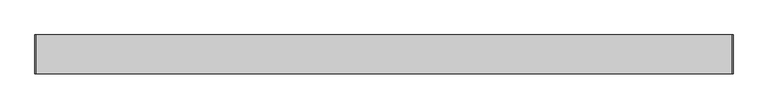
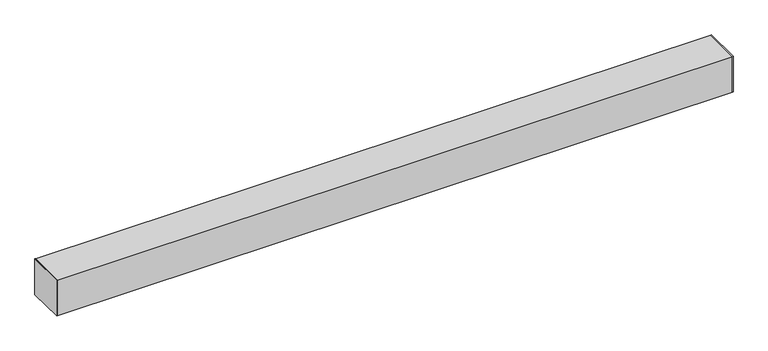
"""IFC4 building model written with IfcOpenShell, lengths in millimetres: proxy geometry."""

from ifc_helpers import new_model, si_unit, frame, origin, origin_with_axes, place, context, project, spatial, polyline, outline, extrude, source, transform, mapped, element, save


def generic_models_3975e6ed(model_context):
    return source(origin(), model_context, "Body", "SweptSolid", [
        extrude(outline(polyline([(0.0, -50.66), (0.0, 50.66), (1.651, 50.66), (1.651, -50.66), (0.0, -50.66)])), origin_with_axes(), (0.0, 0.0, 1.0), 101.6),
        extrude(outline(polyline([(1828.8, -50.66), (1827.149, -50.66), (1827.149, 50.66), (1828.8, 50.66), (1828.8, -50.66)])), origin_with_axes(), (0.0, 0.0, 1.0), 101.6),
        extrude(outline(polyline([(-50.66, 0.0), (-50.66, 101.6), (50.66, 101.6), (50.66, 0.0), (-50.66, 0.0)]), holes=[polyline([(49.01, 1.95), (49.01, 99.65), (-49.01, 99.65), (-49.01, 1.95), (49.01, 1.95)])]), frame((1.651, 0.0, 0.0), z_axis=(1.0, 0.0, 0.0), x_axis=(0.0, 1.0, 0.0)), (0.0, 0.0, 1.0), 1825.498),
    ])


if __name__ == "__main__":
    model = new_model("IFC4")
    model_context = context("Model", 3, world=origin())
    ifc_project = project(units=[si_unit("LENGTHUNIT", "METRE", prefix="MILLI")], contexts=[model_context])
    site = spatial("IfcSite", under=ifc_project)
    building = spatial("IfcBuilding", under=site)
    placement = place(None, origin())
    generic_models_shape = generic_models_3975e6ed(model_context)
    element("IfcBuildingElementProxy", 1, Name="Generic Models", at=placement, inside=building, context=model_context, shape_type="MappedRepresentation", body=[
        mapped(generic_models_shape, transform((0.0, 0.0, 0.0), x_axis=(1.0, 0.0, 0.0), y_axis=(0.0, 1.0, 0.0), z_axis=(0.0, 0.0, 1.0))),
    ])
    save(model, "model.ifc")
